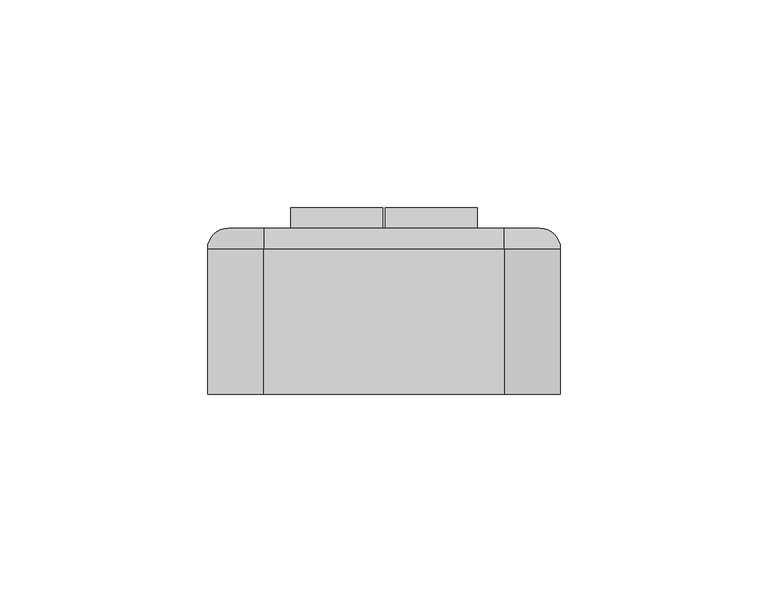
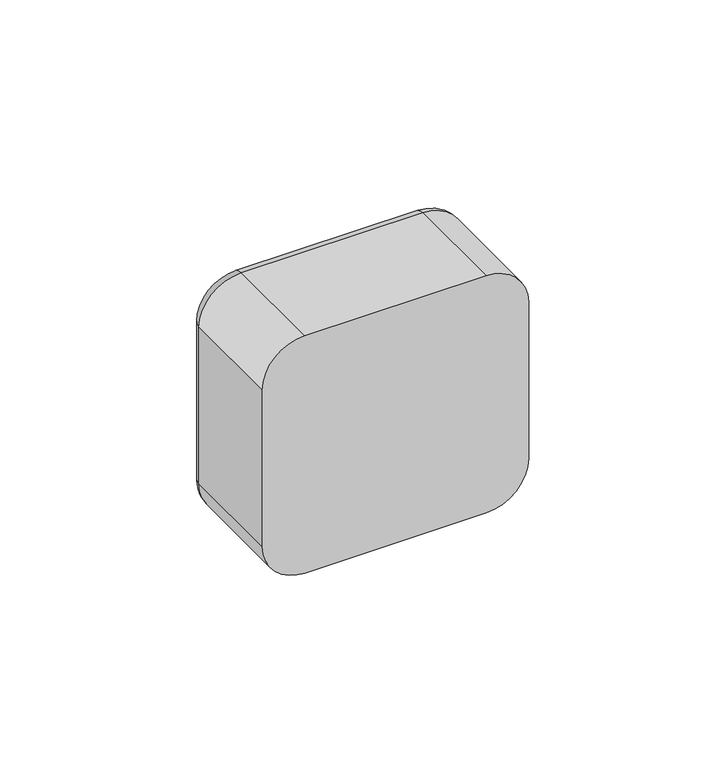
"""IFC4 building model written with IfcOpenShell, lengths in millimetres: switching device geometry."""

from ifc_helpers import new_model, si_unit, point, frame, origin, place, context, project, spatial, polyline, circle_curve, ellipse_curve, trimmed, outline, extrude, source, transform, mapped, element, save
from ifc_brep_helpers import plane_surface, cylinder_surface, revolved_surface, advanced_brep


def switching_device_dff7c777(model_context):
    return source(origin(), model_context, "Body", "SolidModel", [
        advanced_brep(
        [(28.9328665, 40.0, 35.0), (37.5, 40.0, 26.4328665), (37.5, 40.0, -26.4328665), (28.9328665, 40.0, -35.0), (-28.9328665, 40.0, -35.0), (-37.5, 40.0, -26.4328665), (-37.5, 40.0, 26.4328665), (-28.9328665, 40.0, 35.0), (22.5, 40.0, 22.5), (-22.5, 40.0, 22.5), (-22.5, 40.0, -22.5), (22.5, 40.0, -22.5), (-28.9328665, 0.0, 40.0), (-42.5, 0.0, 26.4328665), (-42.5, 0.0, -26.4328665), (-28.9328665, 0.0, -40.0), (28.9328665, 0.0, -40.0), (42.5, 0.0, -26.4328665), (42.5, 0.0, 26.4328665), (28.9328665, 0.0, 40.0), (22.5, 2.0, -22.5), (22.5, 2.0, 22.5), (-22.5, 2.0, -22.5), (-22.5, 2.0, 22.5), (-42.5, 35.0, 26.4328665), (-42.5, 35.0, -26.4328665), (-28.9328665, 35.0, -40.0), (28.9328665, 35.0, -40.0), (42.5, 35.0, -26.4328665), (42.5, 35.0, 26.4328665), (28.9328665, 35.0000072, 40.0), (-28.9328665, 35.0, 40.0)],
        [
            (0, 1, circle_curve(frame((28.9328665, 40.0, 26.4328665), z_axis=(0.0, 1.0, 0.0), x_axis=(0.0, 0.0, 1.0)), 8.5671335)),
            (1, 2),
            (2, 3, circle_curve(frame((28.9328665, 40.0, -26.4328665), z_axis=(0.0, 1.0, 0.0), x_axis=(1.0, 0.0, 0.0)), 8.5671335)),
            (3, 4),
            (4, 5, circle_curve(frame((-28.9328665, 40.0, -26.4328665), z_axis=(0.0, 1.0, 0.0), x_axis=(0.0, 0.0, -1.0)), 8.5671335)),
            (5, 6),
            (6, 7, circle_curve(frame((-28.9328665, 40.0, 26.4328665), z_axis=(0.0, 1.0, 0.0), x_axis=(-1.0, 0.0, 0.0)), 8.5671335)),
            (7, 0),
            (8, 9),
            (9, 10),
            (10, 11),
            (11, 8),
            (12, 13, circle_curve(frame((-28.9328665, 0.0, 26.4328665), z_axis=(0.0, -1.0, 0.0), x_axis=(1.0, 0.0, 0.0)), 13.5671335)),
            (13, 14),
            (14, 15, circle_curve(frame((-28.9328665, 0.0, -26.4328665), z_axis=(0.0, -1.0, 0.0), x_axis=(1.0, 0.0, 0.0)), 13.5671335)),
            (15, 16),
            (16, 17, circle_curve(frame((28.9328665, 0.0, -26.4328665), z_axis=(0.0, -1.0, 0.0), x_axis=(1.0, 0.0, 0.0)), 13.5671335)),
            (17, 18),
            (18, 19, circle_curve(frame((28.9328665, 0.0, 26.4328665), z_axis=(0.0, -1.0, 0.0), x_axis=(1.0, 0.0, 0.0)), 13.5671335)),
            (19, 12),
            (11, 20),
            (20, 21),
            (21, 8),
            (10, 22),
            (22, 20),
            (9, 23),
            (23, 22),
            (21, 23),
            (13, 24),
            (24, 25),
            (25, 14),
            (15, 26),
            (26, 27),
            (27, 16),
            (17, 28),
            (28, 29),
            (29, 18),
            (19, 30),
            (30, 31),
            (31, 12),
            (31, 24, circle_curve(frame((-28.9328665, 35.0, 26.4328665), z_axis=(0.0, -1.0, 0.0), x_axis=(1.0, 0.0, 0.0)), 13.5671335)),
            (25, 26, circle_curve(frame((-28.9328665, 35.0, -26.4328665), z_axis=(0.0, -1.0, 0.0), x_axis=(1.0, 0.0, 0.0)), 13.5671335)),
            (27, 28, circle_curve(frame((28.9328665, 35.0, -26.4328665), z_axis=(0.0, -1.0, 0.0), x_axis=(1.0, 0.0, 0.0)), 13.5671335)),
            (29, 30, circle_curve(frame((28.9328665, 35.0, 26.4328665), z_axis=(0.0, -1.0, 0.0), x_axis=(1.0, 0.0, 0.0)), 13.5671335)),
            (29, 1, circle_curve(frame((37.5, 35.0, 26.4328665), z_axis=(0.0, 0.0, 1.0), x_axis=(0.0, 1.0, 0.0)), 5.0)),
            (0, 30, circle_curve(frame((28.9328665, 35.0, 35.0), z_axis=(1.0, 0.0, 0.0), x_axis=(0.0, 1.0, 0.0)), 5.0)),
            (28, 2, circle_curve(frame((37.5, 35.0, -26.4328665), z_axis=(0.0, 0.0, 1.0), x_axis=(0.0, 1.0, 0.0)), 5.0)),
            (27, 3, circle_curve(frame((28.9328665, 35.0, -35.0), z_axis=(1.0, 0.0, 0.0), x_axis=(0.0, 1.0, 0.0)), 5.0)),
            (26, 4, circle_curve(frame((-28.9328665, 35.0, -35.0), z_axis=(1.0, 0.0, 0.0), x_axis=(0.0, 1.0, 0.0)), 5.0)),
            (25, 5, circle_curve(frame((-37.5, 35.0, -26.4328665), z_axis=(0.0, 0.0, -1.0), x_axis=(0.0, 1.0, 0.0)), 5.0)),
            (24, 6, circle_curve(frame((-37.5, 35.0, 26.4328665), z_axis=(0.0, 0.0, -1.0), x_axis=(0.0, 1.0, 0.0)), 5.0)),
            (31, 7, circle_curve(frame((-28.9328665, 35.0, 35.0), z_axis=(-1.0, 0.0, 0.0), x_axis=(0.0, 1.0, 0.0)), 5.0)),
        ],
        [
            plane_surface(frame((22.5, 40.0, 6.9412233), z_axis=(0.0, 1.0, 0.0), x_axis=(0.0, 0.0, 1.0))),
            plane_surface(frame((22.5, 0.0, 6.9412233), z_axis=(0.0, -1.0, 0.0), x_axis=(0.0, 0.0, -1.0))),
            plane_surface(frame((22.5, 0.0, 22.5), z_axis=(-1.0, 0.0, 0.0), x_axis=(0.0, 1.0, 0.0))),
            plane_surface(frame((22.5, 0.0, -22.5), z_axis=(0.0, 0.0, 1.0), x_axis=(0.0, 1.0, 0.0))),
            plane_surface(frame((-22.5, 0.0, -22.5), z_axis=(1.0, 0.0, 0.0), x_axis=(0.0, 1.0, 0.0))),
            plane_surface(frame((-22.5, 0.0, 22.5), z_axis=(0.0, 0.0, -1.0), x_axis=(0.0, 1.0, 0.0))),
            plane_surface(frame((-42.5, 0.0, 26.4328665), z_axis=(-1.0, 0.0, 0.0), x_axis=(0.0, 1.0, 0.0))),
            plane_surface(frame((-28.9328665, 0.0, -40.0), z_axis=(0.0, 0.0, -1.0), x_axis=(0.0, 1.0, 0.0))),
            plane_surface(frame((42.5, 0.0, -26.4328665), z_axis=(1.0, 0.0, 0.0), x_axis=(0.0, 1.0, 0.0))),
            plane_surface(frame((28.9328665, 0.0, 40.0), z_axis=(0.0, 0.0, 1.0), x_axis=(0.0, 1.0, 0.0))),
            cylinder_surface(frame((-28.9328665, 0.0, 26.4328665), z_axis=(0.0, -1.0, 0.0), x_axis=(1.0, 0.0, 0.0)), 13.5671335),
            cylinder_surface(frame((-28.9328665, 0.0, -26.4328665), z_axis=(0.0, -1.0, 0.0), x_axis=(1.0, 0.0, 0.0)), 13.5671335),
            cylinder_surface(frame((28.9328665, 0.0, -26.4328665), z_axis=(0.0, -1.0, 0.0), x_axis=(1.0, 0.0, 0.0)), 13.5671335),
            cylinder_surface(frame((28.9328665, 0.0, 26.4328665), z_axis=(0.0, -1.0, 0.0), x_axis=(1.0, 0.0, 0.0)), 13.5671335),
            plane_surface(frame((-22.5, 2.0, 31.0), z_axis=(0.0, 1.0, 0.0), x_axis=(0.0, 0.0, 1.0))),
            revolved_surface(trimmed(ellipse_curve(frame((28.9328665, 35.0, 35.0), z_axis=(-1.0, 0.0, 0.0), x_axis=(0.0, 1.0, 0.0)), 5.0, 5.0), [point((28.9328665, 35.0, 40.0))], [point((28.9328665, 40.0, 35.0))], True, "CARTESIAN"), (28.9328665, 40.0, 26.4328665), (0.0, 1.0, 0.0)),
            cylinder_surface(frame((37.5, 35.0, 26.4328665), z_axis=(0.0, 0.0, -1.0), x_axis=(0.0, 1.0, 0.0)), 5.0),
            revolved_surface(trimmed(ellipse_curve(frame((37.5, 35.0, -26.4328665), z_axis=(0.0, 0.0, 1.0), x_axis=(0.0, 1.0, 0.0)), 5.0, 5.0), [point((42.5, 35.0, -26.4328665))], [point((37.5, 40.0, -26.4328665))], True, "CARTESIAN"), (28.9328665, 40.0, -26.4328665), (0.0, 1.0, 0.0)),
            cylinder_surface(frame((28.9328665, 35.0, -35.0), z_axis=(-1.0, 0.0, 0.0), x_axis=(0.0, 1.0, 0.0)), 5.0),
            revolved_surface(trimmed(ellipse_curve(frame((-28.9328665, 35.0, -35.0), z_axis=(1.0, 0.0, 0.0), x_axis=(0.0, 1.0, 0.0)), 5.0, 5.0), [point((-28.9328665, 35.0, -40.0))], [point((-28.9328665, 40.0, -35.0))], True, "CARTESIAN"), (-28.9328665, 40.0, -26.4328665), (0.0, 1.0, 0.0)),
            cylinder_surface(frame((-37.5, 35.0, -26.4328665), z_axis=(0.0, 0.0, 1.0), x_axis=(0.0, 1.0, 0.0)), 5.0),
            revolved_surface(trimmed(ellipse_curve(frame((-37.5, 35.0, 26.4328665), z_axis=(0.0, 0.0, -1.0), x_axis=(0.0, 1.0, 0.0)), 5.0, 5.0), [point((-42.5, 35.0, 26.4328665))], [point((-37.5, 40.0, 26.4328665))], True, "CARTESIAN"), (-28.9328665, 40.0, 26.4328665), (0.0, 1.0, 0.0)),
            cylinder_surface(frame((-28.9328665, 35.0, 35.0), z_axis=(1.0, 0.0, 0.0), x_axis=(0.0, 1.0, 0.0)), 5.0),
        ],
        [
            (0, [[1, 2, 3, 4, 5, 6, 7, 8], [9, 10, 11, 12]]),
            (1, [[13, 14, 15, 16, 17, 18, 19, 20]]),
            (2, [[-12, 21, 22, 23]]),
            (3, [[-11, 24, 25, -21]]),
            (4, [[-10, 26, 27, -24]]),
            (5, [[-9, -23, 28, -26]]),
            (6, [[-14, 29, 30, 31]]),
            (7, [[-16, 32, 33, 34]]),
            (8, [[-18, 35, 36, 37]]),
            (9, [[-20, 38, 39, 40]]),
            (10, [[-13, -40, 41, -29]]),
            (11, [[-15, -31, 42, -32]]),
            (12, [[-17, -34, 43, -35]]),
            (13, [[-19, -37, 44, -38]]),
            (14, [[-22, -25, -27, -28]]),
            (15, [[45, -1, 46, -44]]),
            (16, [[-45, -36, 47, -2]]),
            (17, [[-47, -43, 48, -3]]),
            (18, [[-48, -33, 49, -4]]),
            (19, [[-49, -42, 50, -5]]),
            (20, [[-50, -30, 51, -6]]),
            (21, [[-51, -41, 52, -7]]),
            (22, [[-46, -8, -52, -39]]),
        ],
    ),
        extrude(outline(polyline([(40.0, -22.5), (40.0, 22.5), (44.9850961, 21.9408026), (40.0, -22.5)])), frame((0.25, 0.0, 0.0), z_axis=(1.0, 0.0, 0.0), x_axis=(0.0, 1.0, 0.0)), (0.0, 0.0, 1.0), 22.25),
        extrude(outline(polyline([(40.0, -22.5), (40.0, 22.5), (44.9850961, 21.9408026), (40.0, -22.5)])), frame((-22.5, 0.0, 0.0), z_axis=(1.0, 0.0, 0.0), x_axis=(0.0, 1.0, 0.0)), (0.0, 0.0, 1.0), 22.25),
        extrude(outline(polyline([(22.5, 2.0), (-22.5, 2.0), (-22.5, 32.0), (22.5, 32.0), (22.5, 2.0)])), frame((0.0, 0.0, -22.5), z_axis=(0.0, 0.0, 1.0), x_axis=(1.0, 0.0, 0.0)), (0.0, 0.0, 1.0), 45.0),
        extrude(outline(polyline([(22.5, 32.0), (-22.5, 32.0), (-22.5, 40.0), (22.5, 40.0), (22.5, 32.0)])), frame((0.0, 0.0, -22.5), z_axis=(0.0, 0.0, 1.0), x_axis=(1.0, 0.0, 0.0)), (0.0, 0.0, 1.0), 45.0),
    ])


if __name__ == "__main__":
    model = new_model("IFC4")
    model_context = context("Model", 3, world=origin())
    ifc_project = project(units=[si_unit("LENGTHUNIT", "METRE", prefix="MILLI")], contexts=[model_context])
    site = spatial("IfcSite", under=ifc_project)
    building = spatial("IfcBuilding", under=site)
    placement = place(None, origin())
    switching_device_shape = switching_device_dff7c777(model_context)
    element("IfcSwitchingDevice", 1, at=placement, inside=building, context=model_context, shape_type="MappedRepresentation", body=[
        mapped(switching_device_shape, transform((0.0, 0.0, 0.0), x_axis=(1.0, 0.0, 0.0), y_axis=(0.0, 1.0, 0.0), z_axis=(0.0, 0.0, 1.0))),
    ])
    save(model, "model.ifc")
